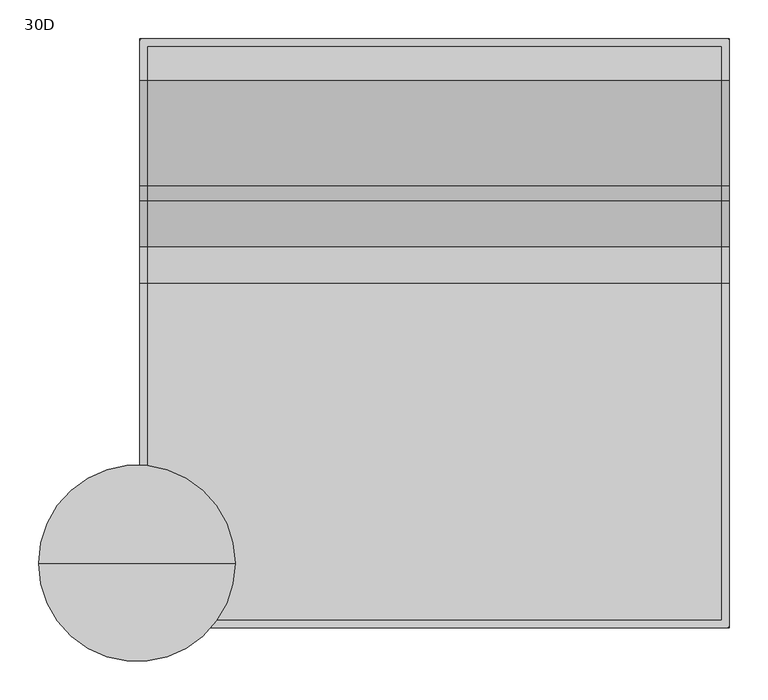
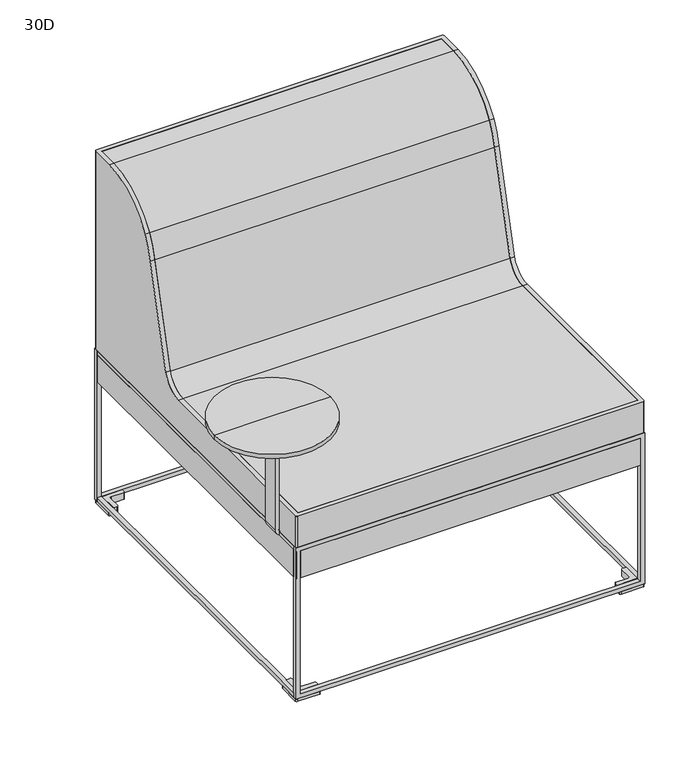
"""IFC4 building model written with IfcOpenShell, lengths in millimetres: furniture geometry, 30D."""

from ifc_helpers import new_model, si_unit, point, frame, frame_2d, origin, place, context, project, spatial, polyline, circle_curve, trimmed, segment, composite_curve, outline, extrude, source, transform, mapped, element, save
from ifc_brep_helpers import plane_surface, cylinder_surface, revolved_surface, advanced_brep


def furniture_30d_1d963a1d(model_context):
    return source(origin(), model_context, "Body", "SolidModel", [
        advanced_brep(
        [(-3.9584992, -678.6564546, 611.1852901), (123.0415008, -678.6564546, 611.1852901), (-130.9584992, -678.6564546, 611.1852901), (-94.3895579, -678.6564546, 586.0191035), (86.4725595, -678.6564546, 586.0191035), (-3.9584992, -678.6564546, 586.0191035), (-130.9584992, -678.6564546, 601.5416981), (123.0415008, -678.6564546, 601.5416981)],
        [
            (0, 1),
            (1, 2, circle_curve(frame((-3.9584992, -678.6564546, 611.1852901), z_axis=(0.0, 0.0, 1.0), x_axis=(1.0, 0.0, 0.0)), 127.0)),
            (2, 0),
            (2, 1, circle_curve(frame((-3.9584992, -678.6564546, 611.1852901), z_axis=(0.0, 0.0, 1.0), x_axis=(1.0, 0.0, 0.0)), 127.0)),
            (3, 4, circle_curve(frame((-3.9584992, -678.6564546, 586.0191035), z_axis=(0.0, 0.0, -1.0), x_axis=(1.0, 0.0, 0.0)), 90.4310587)),
            (4, 5),
            (5, 3),
            (4, 3, circle_curve(frame((-3.9584992, -678.6564546, 586.0191035), z_axis=(0.0, 0.0, -1.0), x_axis=(1.0, 0.0, 0.0)), 90.4310587)),
            (6, 7, circle_curve(frame((-3.9584992, -678.6564546, 601.5416981), z_axis=(0.0, 0.0, -1.0), x_axis=(1.0, 0.0, 0.0)), 127.0)),
            (7, 4),
            (3, 6),
            (7, 6, circle_curve(frame((-3.9584992, -678.6564546, 601.5416981), z_axis=(0.0, 0.0, -1.0), x_axis=(1.0, 0.0, 0.0)), 127.0)),
            (1, 7),
            (6, 2),
        ],
        [
            plane_surface(frame((-3.9584992, -678.6564546, 611.1852901), z_axis=(0.0, 0.0, 1.0), x_axis=(1.0, 0.0, 0.0))),
            plane_surface(frame((-3.9584992, -678.6564546, 586.0191035), z_axis=(0.0, 0.0, -1.0), x_axis=(1.0, 0.0, 0.0))),
            revolved_surface(polyline([(86.4725595, -678.6564546, 586.0191035), (123.0415008, -678.6564546, 601.5416981)]), (-3.9584992, -678.6564546, 611.1852901), (0.0, 0.0, 1.0)),
            cylinder_surface(frame((-3.9584992, -678.6564546, 611.1852901), z_axis=(0.0, 0.0, 1.0), x_axis=(1.0, 0.0, 0.0)), 127.0),
        ],
        [
            (0, [[1, 2, 3]]),
            (0, [[-3, 4, -1]]),
            (1, [[5, 6, 7]]),
            (1, [[8, -7, -6]]),
            (2, [[9, 10, -5, 11]]),
            (2, [[12, -11, -8, -10]]),
            (3, [[-2, 13, -9, 14]]),
            (3, [[-4, -14, -12, -13]]),
        ],
    ),
        extrude(outline(composite_curve([segment(polyline([(589.2125034, 0.0), (589.2125034, -7.8949958), (360.0314342, -7.8949958)]), True, "CONTINUOUS"), segment(trimmed(circle_curve(frame_2d((360.2192421, 7.8379828)), 15.7340995), [point((360.0314342, -7.8949958))], [point((344.4851426, 7.8379828))], False, "CARTESIAN"), True, "CONTINUOUS"), segment(polyline([(344.4851426, 7.8379828), (344.4851426, 84.0379828), (352.3910091, 84.0379828), (352.3910091, 8.2511843)]), True, "CONTINUOUS"), segment(trimmed(circle_curve(frame_2d((360.6429216, 8.2511843)), 8.2519125), [point((352.3910091, 8.2511843))], [point((360.5333013, 0.0))], True, "CARTESIAN"), True, "CONTINUOUS"), segment(polyline([(360.5333013, 0.0), (589.2125034, 0.0)]), True, "CONTINUOUS")], self_intersect=False)), frame((0.0, -697.7064533, 0.0), z_axis=(0.0, 1.0, 0.0), x_axis=(0.0, 0.0, 1.0)), (0.0, 0.0, 1.0), 38.0999974),
        advanced_brep(
        [(0.0, -3.5791729, 356.0322699), (3.5791729, 0.0, 356.0322699), (758.4208271, 0.0, 356.0322699), (762.0, -3.5791729, 356.0322699), (762.0, -758.4208271, 356.0322699), (758.4208271, -762.0, 356.0322699), (3.5791729, -762.0, 356.0322699), (0.0, -758.4208271, 356.0322699), (9.652, -9.525218, 356.0322699), (9.652, -752.4678783, 356.0322699), (752.348, -752.4678783, 356.0322699), (752.348, -9.525218, 356.0322699), (0.0, -758.4208271, 427.2896118), (0.0, -316.873992, 427.2896118), (0.0, -268.7710315, 461.7572761), (0.0, -209.8067184, 683.1085218), (0.0, -190.5, 733.6850908), (0.0, -53.9744671, 811.3870454), (0.0, -3.5791729, 811.3870454), (3.5791729, -762.0, 427.2896118), (758.4208271, -762.0, 427.2896118), (762.0, -758.4208271, 427.2896118), (762.0, -3.5791729, 811.3870454), (762.0, -53.9744671, 811.3870454), (762.0, -190.5, 733.6850908), (762.0, -209.8067184, 683.1085218), (762.0, -268.7710315, 461.7572761), (762.0, -316.873992, 427.2896118), (758.4208271, 0.0, 811.3870454), (3.5791729, 0.0, 811.3870454), (752.348, -9.525218, 811.3870454), (9.652, -9.525218, 811.3870454), (752.348, -752.4678783, 427.2896118), (752.348, -316.873992, 427.2896118), (752.348, -268.7710315, 461.7572761), (752.348, -209.8067184, 683.1085218), (752.348, -190.5, 733.6850908), (752.348, -53.9744671, 811.3870454), (9.652, -752.4678783, 427.2896118), (9.652, -53.9744671, 811.3870454), (9.652, -190.5, 733.6850908), (9.652, -209.8067184, 683.1085218), (9.652, -268.7710315, 461.7572761), (9.652, -316.873992, 427.2896118)],
        [
            (0, 1, circle_curve(frame((3.5791729, -3.5791729, 356.0322699), z_axis=(0.0, 0.0, -1.0), x_axis=(1.0, 0.0, 0.0)), 3.5791729)),
            (1, 2),
            (2, 3, circle_curve(frame((758.4208271, -3.5791729, 356.0322699), z_axis=(0.0, 0.0, -1.0), x_axis=(1.0, 0.0, 0.0)), 3.5791729)),
            (3, 4),
            (4, 5, circle_curve(frame((758.4208271, -758.4208271, 356.0322699), z_axis=(0.0, 0.0, -1.0), x_axis=(1.0, 0.0, 0.0)), 3.5791729)),
            (5, 6),
            (6, 7, circle_curve(frame((3.5791729, -758.4208271, 356.0322699), z_axis=(0.0, 0.0, -1.0), x_axis=(1.0, 0.0, 0.0)), 3.5791729)),
            (7, 0),
            (8, 9),
            (9, 10),
            (10, 11),
            (11, 8),
            (7, 12),
            (12, 13),
            (13, 14, circle_curve(frame((0.0, -316.873992, 478.0896118), z_axis=(1.0, 0.0, 0.0), x_axis=(0.0, 1.0, 0.0)), 50.8)),
            (14, 15, circle_curve(frame((0.0, -1889.2345963, 1011.9511668), z_axis=(1.0, 0.0, 0.0), x_axis=(0.0, 1.0, 0.0)), 1711.3198071)),
            (15, 16, circle_curve(frame((0.0, -53.9744671, 652.5955773), z_axis=(-1.0, 0.0, 0.0), x_axis=(0.0, 1.0, 0.0)), 158.7914681)),
            (16, 17, circle_curve(frame((0.0, -53.9744671, 652.5955773), z_axis=(-1.0, 0.0, 0.0), x_axis=(0.0, 1.0, 0.0)), 158.7914681)),
            (17, 18),
            (18, 0),
            (6, 19),
            (19, 12, circle_curve(frame((3.5791729, -758.4208271, 427.2896118), z_axis=(0.0, 0.0, -1.0), x_axis=(1.0, 0.0, 0.0)), 3.5791729)),
            (5, 20),
            (20, 19),
            (4, 21),
            (21, 20, circle_curve(frame((758.4208271, -758.4208271, 427.2896118), z_axis=(0.0, 0.0, -1.0), x_axis=(1.0, 0.0, 0.0)), 3.5791729)),
            (3, 22),
            (22, 23),
            (23, 24, circle_curve(frame((762.0, -53.9744671, 652.5955773), z_axis=(1.0, 0.0, 0.0), x_axis=(0.0, 1.0, 0.0)), 158.7914681)),
            (24, 25, circle_curve(frame((762.0, -53.9744671, 652.5955773), z_axis=(1.0, 0.0, 0.0), x_axis=(0.0, 1.0, 0.0)), 158.7914681)),
            (25, 26, circle_curve(frame((762.0, -1889.2345963, 1011.9511668), z_axis=(-1.0, 0.0, 0.0), x_axis=(0.0, 1.0, 0.0)), 1711.3198071)),
            (26, 27, circle_curve(frame((762.0, -316.873992, 478.0896118), z_axis=(-1.0, 0.0, 0.0), x_axis=(0.0, 1.0, 0.0)), 50.8)),
            (27, 21),
            (2, 28),
            (28, 22, circle_curve(frame((758.4208271, -3.5791729, 811.3870454), z_axis=(0.0, 0.0, -1.0), x_axis=(1.0, 0.0, 0.0)), 3.5791729)),
            (1, 29),
            (29, 28),
            (18, 29, circle_curve(frame((3.5791729, -3.5791729, 811.3870454), z_axis=(0.0, 0.0, -1.0), x_axis=(1.0, 0.0, 0.0)), 3.5791729)),
            (11, 30),
            (30, 31),
            (31, 8),
            (10, 32),
            (32, 33),
            (33, 34, circle_curve(frame((752.348, -316.873992, 478.0896118), z_axis=(1.0, 0.0, 0.0), x_axis=(0.0, 1.0, 0.0)), 50.8)),
            (34, 35, circle_curve(frame((752.348, -1889.2345963, 1011.9511668), z_axis=(1.0, 0.0, 0.0), x_axis=(0.0, 1.0, 0.0)), 1711.3198071)),
            (35, 36, circle_curve(frame((752.348, -53.9744671, 652.5955773), z_axis=(-1.0, 0.0, 0.0), x_axis=(0.0, 1.0, 0.0)), 158.7914681)),
            (36, 37, circle_curve(frame((752.348, -53.9744671, 652.5955773), z_axis=(-1.0, 0.0, 0.0), x_axis=(0.0, 1.0, 0.0)), 158.7914681)),
            (37, 30),
            (9, 38),
            (38, 32),
            (31, 39),
            (39, 40, circle_curve(frame((9.652, -53.9744671, 652.5955773), z_axis=(1.0, 0.0, 0.0), x_axis=(0.0, 1.0, 0.0)), 158.7914681)),
            (40, 41, circle_curve(frame((9.652, -53.9744671, 652.5955773), z_axis=(1.0, 0.0, 0.0), x_axis=(0.0, 1.0, 0.0)), 158.7914681)),
            (41, 42, circle_curve(frame((9.652, -1889.2345963, 1011.9511668), z_axis=(-1.0, 0.0, 0.0), x_axis=(0.0, 1.0, 0.0)), 1711.3198071)),
            (42, 43, circle_curve(frame((9.652, -316.873992, 478.0896118), z_axis=(-1.0, 0.0, 0.0), x_axis=(0.0, 1.0, 0.0)), 50.8)),
            (43, 38),
            (37, 23),
            (17, 39),
            (27, 33),
            (43, 13),
            (35, 25),
            (24, 36),
            (15, 41),
            (40, 16),
            (34, 26),
            (14, 42),
        ],
        [
            plane_surface(frame((0.0, -3.5791729, 356.0322699), z_axis=(0.0, 0.0, -1.0), x_axis=(0.0, 1.0, 0.0))),
            plane_surface(frame((0.0, -3.5791729, 883.1264159), z_axis=(-1.0, 0.0, 0.0), x_axis=(0.0, 0.0, -1.0))),
            cylinder_surface(frame((3.5791729, -758.4208271, 356.0322699), z_axis=(0.0, 0.0, 1.0), x_axis=(1.0, 0.0, 0.0)), 3.5791729),
            plane_surface(frame((3.5791729, -762.0, 883.1264159), z_axis=(0.0, -1.0, 0.0), x_axis=(0.0, 0.0, -1.0))),
            cylinder_surface(frame((758.4208271, -758.4208271, 356.0322699), z_axis=(0.0, 0.0, 1.0), x_axis=(1.0, 0.0, 0.0)), 3.5791729),
            plane_surface(frame((762.0, -758.4208271, 883.1264159), z_axis=(1.0, 0.0, 0.0), x_axis=(0.0, 0.0, -1.0))),
            cylinder_surface(frame((758.4208271, -3.5791729, 356.0322699), z_axis=(0.0, 0.0, 1.0), x_axis=(1.0, 0.0, 0.0)), 3.5791729),
            plane_surface(frame((758.4208271, 0.0, 883.1264159), z_axis=(0.0, 1.0, 0.0), x_axis=(0.0, 0.0, -1.0))),
            cylinder_surface(frame((3.5791729, -3.5791729, 356.0322699), z_axis=(0.0, 0.0, 1.0), x_axis=(1.0, 0.0, 0.0)), 3.5791729),
            plane_surface(frame((9.652, -9.525218, 883.1264159), z_axis=(0.0, -1.0, 0.0), x_axis=(0.0, 0.0, -1.0))),
            plane_surface(frame((752.348, -9.525218, 883.1264159), z_axis=(-1.0, 0.0, 0.0), x_axis=(0.0, 0.0, -1.0))),
            plane_surface(frame((752.348, -752.4678783, 883.1264159), z_axis=(0.0, 1.0, 0.0), x_axis=(0.0, 0.0, -1.0))),
            plane_surface(frame((9.652, -752.4678783, 883.1264159), z_axis=(1.0, 0.0, 0.0), x_axis=(0.0, 0.0, -1.0))),
            plane_surface(frame((1481.6422049, -53.9744671, 811.3870454), z_axis=(0.0, 0.0, 1.0), x_axis=(-1.0, 0.0, 0.0))),
            plane_surface(frame((1481.6422049, -765.2220566, 427.2896118), z_axis=(0.0, 0.0, 1.0), x_axis=(-1.0, 0.0, 0.0))),
            cylinder_surface(frame((0.0, -53.9744671, 652.5955773), z_axis=(-1.0, 0.0, 0.0), x_axis=(0.0, 1.0, 0.0)), 158.7914681),
            revolved_surface(polyline([(762.0, -177.9147892000001, 1011.9511668), (752.348, -177.9147892000001, 1011.9511668)]), (0.0, -1889.2345963, 1011.9511668), (1.0, 0.0, 0.0)),
            revolved_surface(polyline([(9.652, -177.9147892000001, 1011.9511668), (0.0, -177.9147892000001, 1011.9511668)]), (0.0, -1889.2345963, 1011.9511668), (1.0, 0.0, 0.0)),
            revolved_surface(polyline([(762.0, -266.073992, 478.0896118), (752.348, -266.073992, 478.0896118)]), (0.0, -316.873992, 478.0896118), (1.0, 0.0, 0.0)),
            revolved_surface(polyline([(9.652, -266.073992, 478.0896118), (0.0, -266.073992, 478.0896118)]), (0.0, -316.873992, 478.0896118), (1.0, 0.0, 0.0)),
        ],
        [
            (0, [[1, 2, 3, 4, 5, 6, 7, 8], [9, 10, 11, 12]]),
            (1, [[-8, 13, 14, 15, 16, 17, 18, 19, 20]]),
            (2, [[-7, 21, 22, -13]]),
            (3, [[-6, 23, 24, -21]]),
            (4, [[-5, 25, 26, -23]]),
            (5, [[-4, 27, 28, 29, 30, 31, 32, 33, -25]]),
            (6, [[-3, 34, 35, -27]]),
            (7, [[-2, 36, 37, -34]]),
            (8, [[-1, -20, 38, -36]]),
            (9, [[-12, 39, 40, 41]]),
            (10, [[-11, 42, 43, 44, 45, 46, 47, 48, -39]]),
            (11, [[-10, 49, 50, -42]]),
            (12, [[-9, -41, 51, 52, 53, 54, 55, 56, -49]]),
            (13, [[57, -28, -35, -37, -38, -19, 58, -51, -40, -48]]),
            (14, [[59, -43, -50, -56, 60, -14, -22, -24, -26, -33]]),
            (15, [[61, -30, 62, -46]]),
            (15, [[63, -53, 64, -17]]),
            (15, [[-57, -47, -62, -29]]),
            (15, [[-58, -18, -64, -52]]),
            (16, [[-61, -45, 65, -31]]),
            (17, [[-63, -16, 66, -54]]),
            (18, [[-65, -44, -59, -32]]),
            (19, [[-66, -15, -60, -55]]),
        ],
    ),
        extrude(outline(composite_curve([segment(polyline([(-9.525218, 356.0322699), (-752.4678783, 356.0322699), (-752.4678783, 427.2896118), (-316.873992, 427.2896118)]), True, "CONTINUOUS"), segment(trimmed(circle_curve(frame_2d((-316.873992, 478.0896118)), 50.8), [point((-316.873992, 427.2896118))], [point((-268.7710315, 461.7572761))], True, "CARTESIAN"), True, "CONTINUOUS"), segment(trimmed(circle_curve(frame_2d((-1889.2345963, 1011.9511668)), 1711.3198071), [point((-268.7710315, 461.7572761))], [point((-209.8067184, 683.1085218))], True, "CARTESIAN"), True, "CONTINUOUS"), segment(trimmed(circle_curve(frame_2d((-53.9744671, 652.5955773)), 158.7914681), [point((-209.8067184, 683.1085218))], [point((-190.5, 733.6850908))], False, "CARTESIAN"), True, "CONTINUOUS"), segment(trimmed(circle_curve(frame_2d((-53.9744671, 652.5955773)), 158.7914681), [point((-190.5, 733.6850908))], [point((-53.9744671, 811.3870454))], False, "CARTESIAN"), True, "CONTINUOUS"), segment(polyline([(-53.9744671, 811.3870454), (-9.525218, 811.3870454), (-9.525218, 356.0322699)]), True, "CONTINUOUS")], self_intersect=False)), frame((9.525, 0.0, 0.0), z_axis=(1.0, 0.0, 0.0), x_axis=(0.0, 1.0, 0.0)), (0.0, 0.0, 1.0), 742.823),
        advanced_brep(
        [(17.0083882, -53.9744671, 15.289646), (20.3103882, -50.6724671, 15.289646), (20.3103882, -23.6896322, 15.289646), (23.6342208, -20.3657996, 15.289646), (51.4351938, -20.3657996, 15.289646), (53.9751938, -17.8257996, 15.289646), (53.9751938, -10.532642, 15.289646), (9.652, -10.532642, 15.289646), (9.652, -53.9744671, 15.289646), (53.9751938, -17.8257996, 0.0), (51.4351938, -20.3657996, 0.0), (23.6342208, -20.3657996, 0.0), (20.3103882, -23.6896322, 0.0), (20.3103882, -50.6724671, 0.0), (17.0083882, -53.9744671, 0.0), (2.54, -53.9744671, 0.0), (0.0, -51.4344671, 0.0), (0.0, -3.5791729, 0.0), (3.5791729, 0.0, 0.0), (51.3190396, 0.0, 0.0), (53.9751938, -2.6561542, 0.0), (53.9751938, -2.6561542, 5.7646191), (53.9751938, -10.532642, 5.7646191), (51.3190396, 0.0, 5.7646191), (3.5791729, 0.0, 5.7646191), (0.0, -3.5791729, 5.7646191), (0.0, -51.4344671, 5.7646191), (2.54, -53.9744671, 5.7646191), (9.652, -53.9744671, 5.7646191), (9.652, -10.532642, 5.7646191)],
        [
            (0, 1, circle_curve(frame((17.0083882, -50.6724671, 15.289646), z_axis=(0.0, 0.0, 1.0), x_axis=(1.0, 0.0, 0.0)), 3.302)),
            (1, 2),
            (2, 3, circle_curve(frame((23.6342208, -23.6896322, 15.289646), z_axis=(0.0, 0.0, -1.0), x_axis=(1.0, 0.0, 0.0)), 3.3238326)),
            (3, 4),
            (4, 5, circle_curve(frame((51.4351938, -17.8257996, 15.289646), z_axis=(0.0, 0.0, 1.0), x_axis=(1.0, 0.0, 0.0)), 2.54)),
            (5, 6),
            (6, 7),
            (7, 8),
            (8, 0),
            (9, 10, circle_curve(frame((51.4351938, -17.8257996, 0.0), z_axis=(0.0, 0.0, -1.0), x_axis=(1.0, 0.0, 0.0)), 2.54)),
            (10, 11),
            (11, 12, circle_curve(frame((23.6342208, -23.6896322, 0.0), z_axis=(0.0, 0.0, 1.0), x_axis=(1.0, 0.0, 0.0)), 3.3238326)),
            (12, 13),
            (13, 14, circle_curve(frame((17.0083882, -50.6724671, 0.0), z_axis=(0.0, 0.0, -1.0), x_axis=(1.0, 0.0, 0.0)), 3.302)),
            (14, 15),
            (15, 16, circle_curve(frame((2.54, -51.4344671, 0.0), z_axis=(0.0, 0.0, -1.0), x_axis=(1.0, 0.0, 0.0)), 2.54)),
            (16, 17),
            (17, 18, circle_curve(frame((3.5791729, -3.5791729, 0.0), z_axis=(0.0, 0.0, -1.0), x_axis=(1.0, 0.0, 0.0)), 3.5791729)),
            (18, 19),
            (19, 20, circle_curve(frame((51.3190396, -2.6561542, 0.0), z_axis=(0.0, 0.0, -1.0), x_axis=(1.0, 0.0, 0.0)), 2.6561542)),
            (20, 9),
            (20, 21),
            (21, 22),
            (22, 6),
            (5, 9),
            (19, 23),
            (23, 21, circle_curve(frame((51.3190396, -2.6561542, 5.7646191), z_axis=(0.0, 0.0, -1.0), x_axis=(1.0, 0.0, 0.0)), 2.6561542)),
            (18, 24),
            (24, 23),
            (17, 25),
            (25, 24, circle_curve(frame((3.5791729, -3.5791729, 5.7646191), z_axis=(0.0, 0.0, -1.0), x_axis=(1.0, 0.0, 0.0)), 3.5791729)),
            (16, 26),
            (26, 25),
            (15, 27),
            (27, 26, circle_curve(frame((2.54, -51.4344671, 5.7646191), z_axis=(0.0, 0.0, -1.0), x_axis=(1.0, 0.0, 0.0)), 2.54)),
            (14, 0),
            (8, 28),
            (28, 27),
            (13, 1),
            (12, 2),
            (11, 3),
            (10, 4),
            (28, 29),
            (29, 22),
            (7, 29),
        ],
        [
            plane_surface(frame((53.9751938, -2.7431465, 15.289646), z_axis=(0.0, 0.0, 1.0), x_axis=(0.0, 1.0, 0.0))),
            plane_surface(frame((53.9751938, -2.7431465, 0.0), z_axis=(0.0, 0.0, -1.0), x_axis=(0.0, -1.0, 0.0))),
            plane_surface(frame((53.9751938, -17.8257996, 15.289646), z_axis=(1.0, 0.0, 0.0), x_axis=(0.0, 0.0, -1.0))),
            cylinder_surface(frame((51.3190396, -2.6561542, 0.0), z_axis=(0.0, 0.0, 1.0), x_axis=(1.0, 0.0, 0.0)), 2.6561542),
            plane_surface(frame((51.3190396, 0.0, 15.289646), z_axis=(0.0, 1.0, 0.0), x_axis=(0.0, 0.0, -1.0))),
            cylinder_surface(frame((3.5791729, -3.5791729, 0.0), z_axis=(0.0, 0.0, 1.0), x_axis=(1.0, 0.0, 0.0)), 3.5791729),
            plane_surface(frame((0.0, -3.5791729, 15.289646), z_axis=(-1.0, 0.0, 0.0), x_axis=(0.0, 0.0, -1.0))),
            cylinder_surface(frame((2.54, -51.4344671, 0.0), z_axis=(0.0, 0.0, 1.0), x_axis=(1.0, 0.0, 0.0)), 2.54),
            plane_surface(frame((2.54, -53.9744671, 15.289646), z_axis=(0.0, -1.0, 0.0), x_axis=(0.0, 0.0, -1.0))),
            cylinder_surface(frame((17.0083882, -50.6724671, 0.0), z_axis=(0.0, 0.0, 1.0), x_axis=(1.0, 0.0, 0.0)), 3.302),
            plane_surface(frame((20.3103882, -50.6724671, 15.289646), z_axis=(1.0, 0.0, 0.0), x_axis=(0.0, 0.0, -1.0))),
            revolved_surface(polyline([(26.9580534, -23.6896322, 0.0), (26.9580534, -23.6896322, 15.289646)]), (23.6342208, -23.6896322, 0.0), (0.0, 0.0, -1.0)),
            plane_surface(frame((23.6342208, -20.3657996, 15.289646), z_axis=(0.0, -1.0, 0.0), x_axis=(0.0, 0.0, -1.0))),
            cylinder_surface(frame((51.4351938, -17.8257996, 0.0), z_axis=(0.0, 0.0, 1.0), x_axis=(1.0, 0.0, 0.0)), 2.54),
            plane_surface(frame((2.54, -708.0259689, 5.7646191), z_axis=(0.0, 0.0, 1.0), x_axis=(1.0, 0.0, 0.0))),
            plane_surface(frame((9.652, -53.9744671, 126.7257456), z_axis=(-1.0, 0.0, 0.0), x_axis=(0.0, 0.0, -1.0))),
            plane_surface(frame((9.652, -10.532642, 126.7257456), z_axis=(0.0, 1.0, 0.0), x_axis=(0.0, 0.0, -1.0))),
        ],
        [
            (0, [[1, 2, 3, 4, 5, 6, 7, 8, 9]]),
            (1, [[10, 11, 12, 13, 14, 15, 16, 17, 18, 19, 20, 21]]),
            (2, [[-21, 22, 23, 24, -6, 25]]),
            (3, [[-20, 26, 27, -22]]),
            (4, [[-19, 28, 29, -26]]),
            (5, [[-18, 30, 31, -28]]),
            (6, [[-17, 32, 33, -30]]),
            (7, [[-16, 34, 35, -32]]),
            (8, [[-15, 36, -9, 37, 38, -34]]),
            (9, [[-1, -36, -14, 39]]),
            (10, [[-2, -39, -13, 40]]),
            (11, [[-3, -40, -12, 41]]),
            (12, [[-4, -41, -11, 42]]),
            (13, [[-5, -42, -10, -25]]),
            (14, [[43, 44, -23, -27, -29, -31, -33, -35, -38]]),
            (15, [[-43, -37, -8, 45]]),
            (16, [[-44, -45, -7, -24]]),
        ],
    ),
        advanced_brep(
        [(708.0248062, -17.8257996, 15.289646), (710.5648062, -20.3657996, 15.289646), (738.3657792, -20.3657996, 15.289646), (741.6896118, -23.6896322, 15.289646), (741.6896118, -50.6724671, 15.289646), (744.9916118, -53.9744671, 15.289646), (752.348, -53.9744671, 15.289646), (752.348, -10.532642, 15.289646), (708.0248062, -10.532642, 15.289646), (708.0248062, -17.8257996, 0.0), (708.0248062, -2.6561542, 0.0), (710.6809604, 0.0, 0.0), (758.4208271, 0.0, 0.0), (762.0, -3.5791729, 0.0), (762.0, -51.4344671, 0.0), (759.46, -53.9744671, 0.0), (744.9916118, -53.9744671, 0.0), (741.6896118, -50.6724671, 0.0), (741.6896118, -23.6896322, 0.0), (738.3657792, -20.3657996, 0.0), (710.5648062, -20.3657996, 0.0), (759.46, -53.9744671, 5.7646191), (752.348, -53.9744671, 5.7646191), (762.0, -51.4344671, 5.7646191), (762.0, -3.5791729, 5.7646191), (758.4208271, 0.0, 5.7646191), (710.6809604, 0.0, 5.7646191), (708.0248062, -2.6561542, 5.7646191), (708.0248062, -10.532642, 5.7646191), (752.348, -10.532642, 5.7646191)],
        [
            (0, 1, circle_curve(frame((710.5648062, -17.8257996, 15.289646), z_axis=(0.0, 0.0, 1.0), x_axis=(1.0, 0.0, 0.0)), 2.54)),
            (1, 2),
            (2, 3, circle_curve(frame((738.3657792, -23.6896322, 15.289646), z_axis=(0.0, 0.0, -1.0), x_axis=(1.0, 0.0, 0.0)), 3.3238326)),
            (3, 4),
            (4, 5, circle_curve(frame((744.9916118, -50.6724671, 15.289646), z_axis=(0.0, 0.0, 1.0), x_axis=(1.0, 0.0, 0.0)), 3.302)),
            (5, 6),
            (6, 7),
            (7, 8),
            (8, 0),
            (9, 10),
            (10, 11, circle_curve(frame((710.6809604, -2.6561542, 0.0), z_axis=(0.0, 0.0, -1.0), x_axis=(1.0, 0.0, 0.0)), 2.6561542)),
            (11, 12),
            (12, 13, circle_curve(frame((758.4208271, -3.5791729, 0.0), z_axis=(0.0, 0.0, -1.0), x_axis=(1.0, 0.0, 0.0)), 3.5791729)),
            (13, 14),
            (14, 15, circle_curve(frame((759.46, -51.4344671, 0.0), z_axis=(0.0, 0.0, -1.0), x_axis=(1.0, 0.0, 0.0)), 2.54)),
            (15, 16),
            (16, 17, circle_curve(frame((744.9916118, -50.6724671, 0.0), z_axis=(0.0, 0.0, -1.0), x_axis=(1.0, 0.0, 0.0)), 3.302)),
            (17, 18),
            (18, 19, circle_curve(frame((738.3657792, -23.6896322, 0.0), z_axis=(0.0, 0.0, 1.0), x_axis=(1.0, 0.0, 0.0)), 3.3238326)),
            (19, 20),
            (20, 9, circle_curve(frame((710.5648062, -17.8257996, 0.0), z_axis=(0.0, 0.0, -1.0), x_axis=(1.0, 0.0, 0.0)), 2.54)),
            (0, 9),
            (20, 1),
            (19, 2),
            (18, 3),
            (17, 4),
            (16, 5),
            (15, 21),
            (21, 22),
            (22, 6),
            (14, 23),
            (23, 21, circle_curve(frame((759.46, -51.4344671, 5.7646191), z_axis=(0.0, 0.0, -1.0), x_axis=(1.0, 0.0, 0.0)), 2.54)),
            (13, 24),
            (24, 23),
            (12, 25),
            (25, 24, circle_curve(frame((758.4208271, -3.5791729, 5.7646191), z_axis=(0.0, 0.0, -1.0), x_axis=(1.0, 0.0, 0.0)), 3.5791729)),
            (11, 26),
            (26, 25),
            (10, 27),
            (27, 26, circle_curve(frame((710.6809604, -2.6561542, 5.7646191), z_axis=(0.0, 0.0, -1.0), x_axis=(1.0, 0.0, 0.0)), 2.6561542)),
            (8, 28),
            (28, 27),
            (28, 29),
            (29, 22),
            (7, 29),
        ],
        [
            plane_surface(frame((53.9751938, -2.7431465, 15.289646), z_axis=(0.0, 0.0, 1.0), x_axis=(0.0, 1.0, 0.0))),
            plane_surface(frame((53.9751938, -2.7431465, 0.0), z_axis=(0.0, 0.0, -1.0), x_axis=(0.0, -1.0, 0.0))),
            cylinder_surface(frame((710.5648062, -17.8257996, 0.0), z_axis=(0.0, 0.0, 1.0), x_axis=(1.0, 0.0, 0.0)), 2.54),
            plane_surface(frame((710.5648062, -20.3657996, 15.289646), z_axis=(0.0, -1.0, 0.0), x_axis=(0.0, 0.0, -1.0))),
            revolved_surface(polyline([(741.6896118, -23.6896322, 0.0), (741.6896118, -23.6896322, 15.289646)]), (738.3657792, -23.6896322, 0.0), (0.0, 0.0, -1.0)),
            plane_surface(frame((741.6896118, -23.6896322, 15.289646), z_axis=(-1.0, 0.0, 0.0), x_axis=(0.0, 0.0, -1.0))),
            cylinder_surface(frame((744.9916118, -50.6724671, 0.0), z_axis=(0.0, 0.0, 1.0), x_axis=(1.0, 0.0, 0.0)), 3.302),
            plane_surface(frame((744.9916118, -53.9744671, 15.289646), z_axis=(0.0, -1.0, 0.0), x_axis=(0.0, 0.0, -1.0))),
            cylinder_surface(frame((759.46, -51.4344671, 0.0), z_axis=(0.0, 0.0, 1.0), x_axis=(1.0, 0.0, 0.0)), 2.54),
            plane_surface(frame((762.0, -51.4344671, 15.289646), z_axis=(1.0, 0.0, 0.0), x_axis=(0.0, 0.0, -1.0))),
            cylinder_surface(frame((758.4208271, -3.5791729, 0.0), z_axis=(0.0, 0.0, 1.0), x_axis=(1.0, 0.0, 0.0)), 3.5791729),
            plane_surface(frame((758.4208271, 0.0, 15.289646), z_axis=(0.0, 1.0, 0.0), x_axis=(0.0, 0.0, -1.0))),
            cylinder_surface(frame((710.6809604, -2.6561542, 0.0), z_axis=(0.0, 0.0, 1.0), x_axis=(1.0, 0.0, 0.0)), 2.6561542),
            plane_surface(frame((708.0248062, -2.6561542, 15.289646), z_axis=(-1.0, 0.0, 0.0), x_axis=(0.0, 0.0, -1.0))),
            plane_surface(frame((2.54, -708.0259689, 5.7646191), z_axis=(0.0, 0.0, 1.0), x_axis=(1.0, 0.0, 0.0))),
            plane_surface(frame((708.0248062, -10.532642, 126.7257456), z_axis=(0.0, 1.0, 0.0), x_axis=(0.0, 0.0, -1.0))),
            plane_surface(frame((752.348, -10.532642, 126.7257456), z_axis=(1.0, 0.0, 0.0), x_axis=(0.0, 0.0, -1.0))),
        ],
        [
            (0, [[1, 2, 3, 4, 5, 6, 7, 8, 9]]),
            (1, [[10, 11, 12, 13, 14, 15, 16, 17, 18, 19, 20, 21]]),
            (2, [[-1, 22, -21, 23]]),
            (3, [[-2, -23, -20, 24]]),
            (4, [[-3, -24, -19, 25]]),
            (5, [[-4, -25, -18, 26]]),
            (6, [[-5, -26, -17, 27]]),
            (7, [[-16, 28, 29, 30, -6, -27]]),
            (8, [[-15, 31, 32, -28]]),
            (9, [[-14, 33, 34, -31]]),
            (10, [[-13, 35, 36, -33]]),
            (11, [[-12, 37, 38, -35]]),
            (12, [[-11, 39, 40, -37]]),
            (13, [[-10, -22, -9, 41, 42, -39]]),
            (14, [[43, 44, -29, -32, -34, -36, -38, -40, -42]]),
            (15, [[-43, -41, -8, 45]]),
            (16, [[-44, -45, -7, -30]]),
        ],
    ),
        advanced_brep(
        [(53.9751938, -744.2307745, 15.289646), (51.4351938, -741.6907745, 15.289646), (23.6342208, -741.6907745, 15.289646), (20.3103882, -738.3669419, 15.289646), (20.3103882, -711.3279689, 15.289646), (17.0083882, -708.0259689, 15.289646), (9.652, -708.0259689, 15.289646), (9.652, -751.467794, 15.289646), (53.9751938, -751.467794, 15.289646), (53.9751938, -744.2307745, 0.0), (53.9751938, -759.3438458, 0.0), (51.3190396, -762.0, 0.0), (3.5791729, -762.0, 0.0), (0.0, -758.4208271, 0.0), (0.0, -710.5659689, 0.0), (2.54, -708.0259689, 0.0), (17.0083882, -708.0259689, 0.0), (20.3103882, -711.3279689, 0.0), (20.3103882, -738.3669419, 0.0), (23.6342208, -741.6907745, 0.0), (51.4351938, -741.6907745, 0.0), (2.54, -708.0259689, 5.7646191), (9.652, -708.0259689, 5.7646191), (0.0, -710.5659689, 5.7646191), (0.0, -758.4208271, 5.7646191), (3.5791729, -762.0, 5.7646191), (51.3190396, -762.0, 5.7646191), (53.9751938, -759.3438458, 5.7646191), (53.9751938, -751.467794, 5.7646191), (9.652, -751.467794, 5.7646191)],
        [
            (0, 1, circle_curve(frame((51.4351938, -744.2307745, 15.289646), z_axis=(0.0, 0.0, 1.0), x_axis=(1.0, 0.0, 0.0)), 2.54)),
            (1, 2),
            (2, 3, circle_curve(frame((23.6342208, -738.3669419, 15.289646), z_axis=(0.0, 0.0, -1.0), x_axis=(1.0, 0.0, 0.0)), 3.3238326)),
            (3, 4),
            (4, 5, circle_curve(frame((17.0083882, -711.3279689, 15.289646), z_axis=(0.0, 0.0, 1.0), x_axis=(1.0, 0.0, 0.0)), 3.302)),
            (5, 6),
            (6, 7),
            (7, 8),
            (8, 0),
            (9, 10),
            (10, 11, circle_curve(frame((51.3190396, -759.3438458, 0.0), z_axis=(0.0, 0.0, -1.0), x_axis=(1.0, 0.0, 0.0)), 2.6561542)),
            (11, 12),
            (12, 13, circle_curve(frame((3.5791729, -758.4208271, 0.0), z_axis=(0.0, 0.0, -1.0), x_axis=(1.0, 0.0, 0.0)), 3.5791729)),
            (13, 14),
            (14, 15, circle_curve(frame((2.54, -710.5659689, 0.0), z_axis=(0.0, 0.0, -1.0), x_axis=(1.0, 0.0, 0.0)), 2.54)),
            (15, 16),
            (16, 17, circle_curve(frame((17.0083882, -711.3279689, 0.0), z_axis=(0.0, 0.0, -1.0), x_axis=(1.0, 0.0, 0.0)), 3.302)),
            (17, 18),
            (18, 19, circle_curve(frame((23.6342208, -738.3669419, 0.0), z_axis=(0.0, 0.0, 1.0), x_axis=(1.0, 0.0, 0.0)), 3.3238326)),
            (19, 20),
            (20, 9, circle_curve(frame((51.4351938, -744.2307745, 0.0), z_axis=(0.0, 0.0, -1.0), x_axis=(1.0, 0.0, 0.0)), 2.54)),
            (0, 9),
            (20, 1),
            (19, 2),
            (18, 3),
            (17, 4),
            (16, 5),
            (15, 21),
            (21, 22),
            (22, 6),
            (14, 23),
            (23, 21, circle_curve(frame((2.54, -710.5659689, 5.7646191), z_axis=(0.0, 0.0, -1.0), x_axis=(1.0, 0.0, 0.0)), 2.54)),
            (13, 24),
            (24, 23),
            (12, 25),
            (25, 24, circle_curve(frame((3.5791729, -758.4208271, 5.7646191), z_axis=(0.0, 0.0, -1.0), x_axis=(1.0, 0.0, 0.0)), 3.5791729)),
            (11, 26),
            (26, 25),
            (10, 27),
            (27, 26, circle_curve(frame((51.3190396, -759.3438458, 5.7646191), z_axis=(0.0, 0.0, -1.0), x_axis=(1.0, 0.0, 0.0)), 2.6561542)),
            (8, 28),
            (28, 27),
            (28, 29),
            (29, 22),
            (7, 29),
        ],
        [
            plane_surface(frame((53.9751938, -2.7431465, 15.289646), z_axis=(0.0, 0.0, 1.0), x_axis=(0.0, 1.0, 0.0))),
            plane_surface(frame((53.9751938, -2.7431465, 0.0), z_axis=(0.0, 0.0, -1.0), x_axis=(0.0, -1.0, 0.0))),
            cylinder_surface(frame((51.4351938, -744.2307745, 0.0), z_axis=(0.0, 0.0, 1.0), x_axis=(1.0, 0.0, 0.0)), 2.54),
            plane_surface(frame((51.4351938, -741.6907745, 15.289646), z_axis=(0.0, 1.0, 0.0), x_axis=(0.0, 0.0, -1.0))),
            revolved_surface(polyline([(26.9580534, -738.3669419, 0.0), (26.9580534, -738.3669419, 15.289646)]), (23.6342208, -738.3669419, 0.0), (0.0, 0.0, -1.0)),
            plane_surface(frame((20.3103882, -738.3669419, 15.289646), z_axis=(1.0, 0.0, 0.0), x_axis=(0.0, 0.0, -1.0))),
            cylinder_surface(frame((17.0083882, -711.3279689, 0.0), z_axis=(0.0, 0.0, 1.0), x_axis=(1.0, 0.0, 0.0)), 3.302),
            plane_surface(frame((17.0083882, -708.0259689, 15.289646), z_axis=(-1.1600767335756156e-12, 1.0, 0.0), x_axis=(0.0, 0.0, -1.0))),
            cylinder_surface(frame((2.54, -710.5659689, 0.0), z_axis=(0.0, 0.0, 1.0), x_axis=(1.0, 0.0, 0.0)), 2.54),
            plane_surface(frame((0.0, -710.5659689, 15.289646), z_axis=(-1.0, 0.0, 0.0), x_axis=(0.0, 0.0, -1.0))),
            cylinder_surface(frame((3.5791729, -758.4208271, 0.0), z_axis=(0.0, 0.0, 1.0), x_axis=(1.0, 0.0, 0.0)), 3.5791729),
            plane_surface(frame((3.5791729, -762.0, 15.289646), z_axis=(0.0, -1.0, 0.0), x_axis=(0.0, 0.0, -1.0))),
            cylinder_surface(frame((51.3190396, -759.3438458, 0.0), z_axis=(0.0, 0.0, 1.0), x_axis=(1.0, 0.0, 0.0)), 2.6561542),
            plane_surface(frame((53.9751938, -759.3438458, 15.289646), z_axis=(1.0, 0.0, 0.0), x_axis=(0.0, 0.0, -1.0))),
            plane_surface(frame((2.54, -708.0259689, 5.7646191), z_axis=(0.0, 0.0, 1.0), x_axis=(1.0, 0.0, 0.0))),
            plane_surface(frame((53.9751938, -751.467794, 126.7257456), z_axis=(0.0, -1.0, 0.0), x_axis=(0.0, 0.0, -1.0))),
            plane_surface(frame((9.652, -751.467794, 126.7257456), z_axis=(-1.0, 0.0, 0.0), x_axis=(0.0, 0.0, -1.0))),
        ],
        [
            (0, [[1, 2, 3, 4, 5, 6, 7, 8, 9]]),
            (1, [[10, 11, 12, 13, 14, 15, 16, 17, 18, 19, 20, 21]]),
            (2, [[-1, 22, -21, 23]]),
            (3, [[-2, -23, -20, 24]]),
            (4, [[-3, -24, -19, 25]]),
            (5, [[-4, -25, -18, 26]]),
            (6, [[-5, -26, -17, 27]]),
            (7, [[-16, 28, 29, 30, -6, -27]]),
            (8, [[-15, 31, 32, -28]]),
            (9, [[-14, 33, 34, -31]]),
            (10, [[-13, 35, 36, -33]]),
            (11, [[-12, 37, 38, -35]]),
            (12, [[-11, 39, 40, -37]]),
            (13, [[-10, -22, -9, 41, 42, -39]]),
            (14, [[43, 44, -29, -32, -34, -36, -38, -40, -42]]),
            (15, [[-43, -41, -8, 45]]),
            (16, [[-44, -45, -7, -30]]),
        ],
    ),
        advanced_brep(
        [(744.9916118, -708.0259689, 15.289646), (741.6896118, -711.3279689, 15.289646), (741.6896118, -738.3669419, 15.289646), (738.3657792, -741.6907745, 15.289646), (710.5648062, -741.6907745, 15.289646), (708.0248062, -744.2307745, 15.289646), (708.0248062, -751.467794, 15.289646), (752.348, -751.467794, 15.289646), (752.348, -708.0259689, 15.289646), (708.0248062, -744.2307745, 0.0), (710.5648062, -741.6907745, 0.0), (738.3657792, -741.6907745, 0.0), (741.6896118, -738.3669419, 0.0), (741.6896118, -711.3279689, 0.0), (744.9916118, -708.0259689, 0.0), (759.46, -708.0259689, 0.0), (762.0, -710.5659689, 0.0), (762.0, -758.4208271, 0.0), (758.4208271, -762.0, 0.0), (710.6809604, -762.0, 0.0), (708.0248062, -759.3438458, 0.0), (708.0248062, -759.3438458, 5.7646191), (708.0248062, -751.467794, 5.7646191), (710.6809604, -762.0, 5.7646191), (758.4208271, -762.0, 5.7646191), (762.0, -758.4208271, 5.7646191), (762.0, -710.5659689, 5.7646191), (759.46, -708.0259689, 5.7646191), (752.348, -708.0259689, 5.7646191), (752.348, -751.467794, 5.7646191)],
        [
            (0, 1, circle_curve(frame((744.9916118, -711.3279689, 15.289646), z_axis=(0.0, 0.0, 1.0), x_axis=(1.0, 0.0, 0.0)), 3.302)),
            (1, 2),
            (2, 3, circle_curve(frame((738.3657792, -738.3669419, 15.289646), z_axis=(0.0, 0.0, -1.0), x_axis=(1.0, 0.0, 0.0)), 3.3238326)),
            (3, 4),
            (4, 5, circle_curve(frame((710.5648062, -744.2307745, 15.289646), z_axis=(0.0, 0.0, 1.0), x_axis=(1.0, 0.0, 0.0)), 2.54)),
            (5, 6),
            (6, 7),
            (7, 8),
            (8, 0),
            (9, 10, circle_curve(frame((710.5648062, -744.2307745, 0.0), z_axis=(0.0, 0.0, -1.0), x_axis=(1.0, 0.0, 0.0)), 2.54)),
            (10, 11),
            (11, 12, circle_curve(frame((738.3657792, -738.3669419, 0.0), z_axis=(0.0, 0.0, 1.0), x_axis=(1.0, 0.0, 0.0)), 3.3238326)),
            (12, 13),
            (13, 14, circle_curve(frame((744.9916118, -711.3279689, 0.0), z_axis=(0.0, 0.0, -1.0), x_axis=(1.0, 0.0, 0.0)), 3.302)),
            (14, 15),
            (15, 16, circle_curve(frame((759.46, -710.5659689, 0.0), z_axis=(0.0, 0.0, -1.0), x_axis=(1.0, 0.0, 0.0)), 2.54)),
            (16, 17),
            (17, 18, circle_curve(frame((758.4208271, -758.4208271, 0.0), z_axis=(0.0, 0.0, -1.0), x_axis=(1.0, 0.0, 0.0)), 3.5791729)),
            (18, 19),
            (19, 20, circle_curve(frame((710.6809604, -759.3438458, 0.0), z_axis=(0.0, 0.0, -1.0), x_axis=(1.0, 0.0, 0.0)), 2.6561542)),
            (20, 9),
            (20, 21),
            (21, 22),
            (22, 6),
            (5, 9),
            (19, 23),
            (23, 21, circle_curve(frame((710.6809604, -759.3438458, 5.7646191), z_axis=(0.0, 0.0, -1.0), x_axis=(1.0, 0.0, 0.0)), 2.6561542)),
            (18, 24),
            (24, 23),
            (17, 25),
            (25, 24, circle_curve(frame((758.4208271, -758.4208271, 5.7646191), z_axis=(0.0, 0.0, -1.0), x_axis=(1.0, 0.0, 0.0)), 3.5791729)),
            (16, 26),
            (26, 25),
            (15, 27),
            (27, 26, circle_curve(frame((759.46, -710.5659689, 5.7646191), z_axis=(0.0, 0.0, -1.0), x_axis=(1.0, 0.0, 0.0)), 2.54)),
            (14, 0),
            (8, 28),
            (28, 27),
            (13, 1),
            (12, 2),
            (11, 3),
            (10, 4),
            (28, 29),
            (29, 22),
            (7, 29),
        ],
        [
            plane_surface(frame((53.9751938, -2.7431465, 15.289646), z_axis=(0.0, 0.0, 1.0), x_axis=(0.0, 1.0, 0.0))),
            plane_surface(frame((53.9751938, -2.7431465, 0.0), z_axis=(0.0, 0.0, -1.0), x_axis=(0.0, -1.0, 0.0))),
            plane_surface(frame((708.0248062, -744.2307745, 15.289646), z_axis=(-1.0, 0.0, 0.0), x_axis=(0.0, 0.0, -1.0))),
            cylinder_surface(frame((710.6809604, -759.3438458, 0.0), z_axis=(0.0, 0.0, 1.0), x_axis=(1.0, 0.0, 0.0)), 2.6561542),
            plane_surface(frame((710.6809604, -762.0, 15.289646), z_axis=(0.0, -1.0, 0.0), x_axis=(0.0, 0.0, -1.0))),
            cylinder_surface(frame((758.4208271, -758.4208271, 0.0), z_axis=(0.0, 0.0, 1.0), x_axis=(1.0, 0.0, 0.0)), 3.5791729),
            plane_surface(frame((762.0, -758.4208271, 15.289646), z_axis=(1.0, 0.0, 0.0), x_axis=(0.0, 0.0, -1.0))),
            cylinder_surface(frame((759.46, -710.5659689, 0.0), z_axis=(0.0, 0.0, 1.0), x_axis=(1.0, 0.0, 0.0)), 2.54),
            plane_surface(frame((759.46, -708.0259689, 15.289646), z_axis=(0.0, 1.0, 0.0), x_axis=(0.0, 0.0, -1.0))),
            cylinder_surface(frame((744.9916118, -711.3279689, 0.0), z_axis=(0.0, 0.0, 1.0), x_axis=(1.0, 0.0, 0.0)), 3.302),
            plane_surface(frame((741.6896118, -711.3279689, 15.289646), z_axis=(-1.0, 0.0, 0.0), x_axis=(0.0, 0.0, -1.0))),
            revolved_surface(polyline([(741.6896118, -738.3669419, 0.0), (741.6896118, -738.3669419, 15.289646)]), (738.3657792, -738.3669419, 0.0), (0.0, 0.0, -1.0)),
            plane_surface(frame((738.3657792, -741.6907745, 15.289646), z_axis=(0.0, 1.0, 0.0), x_axis=(0.0, 0.0, -1.0))),
            cylinder_surface(frame((710.5648062, -744.2307745, 0.0), z_axis=(0.0, 0.0, 1.0), x_axis=(1.0, 0.0, 0.0)), 2.54),
            plane_surface(frame((2.54, -708.0259689, 5.7646191), z_axis=(0.0, 0.0, 1.0), x_axis=(1.0, 0.0, 0.0))),
            plane_surface(frame((752.348, -708.0259689, 126.7257456), z_axis=(1.0, 0.0, 0.0), x_axis=(0.0, 0.0, -1.0))),
            plane_surface(frame((752.348, -751.467794, 126.7257456), z_axis=(0.0, -1.0, 0.0), x_axis=(0.0, 0.0, -1.0))),
        ],
        [
            (0, [[1, 2, 3, 4, 5, 6, 7, 8, 9]]),
            (1, [[10, 11, 12, 13, 14, 15, 16, 17, 18, 19, 20, 21]]),
            (2, [[-21, 22, 23, 24, -6, 25]]),
            (3, [[-20, 26, 27, -22]]),
            (4, [[-19, 28, 29, -26]]),
            (5, [[-18, 30, 31, -28]]),
            (6, [[-17, 32, 33, -30]]),
            (7, [[-16, 34, 35, -32]]),
            (8, [[-15, 36, -9, 37, 38, -34]]),
            (9, [[-1, -36, -14, 39]]),
            (10, [[-2, -39, -13, 40]]),
            (11, [[-3, -40, -12, 41]]),
            (12, [[-4, -41, -11, 42]]),
            (13, [[-5, -42, -10, -25]]),
            (14, [[43, 44, -23, -27, -29, -31, -33, -35, -38]]),
            (15, [[-43, -37, -8, 45]]),
            (16, [[-44, -45, -7, -24]]),
        ],
    ),
        extrude(outline(polyline([(760.8542582, -1.1443342), (760.8542582, -760.857802), (1.1446976, -760.857802), (1.1446976, -1.1443342), (760.8542582, -1.1443342)])), frame((0.0, 0.0, 283.5283514), z_axis=(0.0, 0.0, 1.0), x_axis=(1.0, 0.0, 0.0)), (0.0, 0.0, 1.0), 61.9613161),
        extrude(outline(polyline([(752.348, -760.9834923), (752.348, -762.0), (9.652, -762.0), (9.652, -760.9834923), (752.348, -760.9834923)])), frame((0.0, 0.0, 283.5283514), z_axis=(0.0, 0.0, 1.0), x_axis=(1.0, 0.0, 0.0)), (0.0, 0.0, 1.0), 61.9613161),
        extrude(outline(polyline([(762.0, -752.4678783), (760.8553024, -752.4678783), (760.8553024, -9.525218), (762.0, -9.525218), (762.0, -752.4678783)])), frame((0.0, 0.0, 283.5282424), z_axis=(0.0, 0.0, 1.0), x_axis=(1.0, 0.0, 0.0)), (0.0, 0.0, 1.0), 61.9616085),
        extrude(outline(polyline([(1.1446976, -752.4678783), (0.0, -752.4678783), (0.0, -9.525218), (1.1446976, -9.525218), (1.1446976, -752.4678783)])), frame((0.0, 0.0, 283.5282424), z_axis=(0.0, 0.0, 1.0), x_axis=(1.0, 0.0, 0.0)), (0.0, 0.0, 1.0), 61.9616085),
        extrude(outline(polyline([(0.0, -1.1443342), (0.0, 0.0), (742.696, 0.0), (742.696, -1.1443342), (0.0, -1.1443342)])), frame((752.348003, -1.1443342, 283.5282449), z_axis=(2.869644635915683e-07, 0.0, 0.9999999999999588), x_axis=(-0.9999999999999588, 0.0, 2.869644635915683e-07)), (0.0, 0.0, 1.0), 61.961393),
        extrude(outline(polyline([(9.652, -9.525218), (9.652, -752.4678783), (0.0, -752.4678783), (0.0, -9.525218), (9.652, -9.525218)])), frame((0.0, 0.0, 345.4896675), z_axis=(0.0, 0.0, 1.0), x_axis=(1.0, 0.0, 0.0)), (0.0, 0.0, 1.0), 9.5249637),
        extrude(outline(polyline([(752.348, -752.4678783), (752.348, -9.525218), (762.0, -9.525218), (762.0, -752.4678783), (752.348, -752.4678783)])), frame((0.0, 0.0, 345.4896675), z_axis=(0.0, 0.0, 1.0), x_axis=(1.0, 0.0, 0.0)), (0.0, 0.0, 1.0), 9.5249637),
        extrude(outline(polyline([(9.652, -9.525218), (9.652, -752.4678783), (0.0, -752.4678783), (0.0, -9.525218), (9.652, -9.525218)])), frame((0.0, 0.0, 5.7646191), z_axis=(0.0, 0.0, 1.0), x_axis=(1.0, 0.0, 0.0)), (0.0, 0.0, 1.0), 9.5250269),
        extrude(outline(polyline([(752.348, -752.4678783), (752.348, -9.525218), (762.0, -9.525218), (762.0, -752.4678783), (752.348, -752.4678783)])), frame((0.0, 0.0, 5.7646191), z_axis=(0.0, 0.0, 1.0), x_axis=(1.0, 0.0, 0.0)), (0.0, 0.0, 1.0), 9.5250269),
        extrude(outline(polyline([(355.0146312, 0.0), (5.7646191, 0.0), (5.7646191, 762.0), (355.0146312, 762.0), (355.0146312, 0.0)]), holes=[polyline([(345.4896675, 9.652), (345.4896675, 752.348), (15.289646, 752.348), (15.289646, 9.652), (345.4896675, 9.652)])]), frame((0.0, -762.0, 0.0), z_axis=(0.0, 1.0, 0.0), x_axis=(0.0, 0.0, 1.0)), (0.0, 0.0, 1.0), 9.5321217),
        extrude(outline(polyline([(355.0146312, 0.0), (5.7646191, 0.0), (5.7646191, 762.0), (355.0146312, 762.0), (355.0146312, 0.0)]), holes=[polyline([(345.4896675, 9.652), (345.4896675, 752.348), (15.289646, 752.348), (15.289646, 9.652), (345.4896675, 9.652)])]), frame((0.0, -9.525, 0.0), z_axis=(0.0, 1.0, 0.0), x_axis=(0.0, 0.0, 1.0)), (0.0, 0.0, 1.0), 9.525),
    ])


if __name__ == "__main__":
    model = new_model("IFC4")
    model_context = context("Model", 3, world=origin())
    ifc_project = project(units=[si_unit("LENGTHUNIT", "METRE", prefix="MILLI")], contexts=[model_context])
    site = spatial("IfcSite", under=ifc_project)
    building = spatial("IfcBuilding", under=site)
    placement = place(None, origin())
    furniture_30d_shape = furniture_30d_1d963a1d(model_context)
    element("IfcFurniture", 1, ObjectType="30D", at=placement, inside=building, context=model_context, shape_type="MappedRepresentation", body=[
        mapped(furniture_30d_shape, transform((0.0, 0.0, 0.0), x_axis=(1.0, 0.0, 0.0), y_axis=(0.0, 1.0, 0.0), z_axis=(0.0, 0.0, 1.0))),
    ])
    save(model, "model.ifc")
